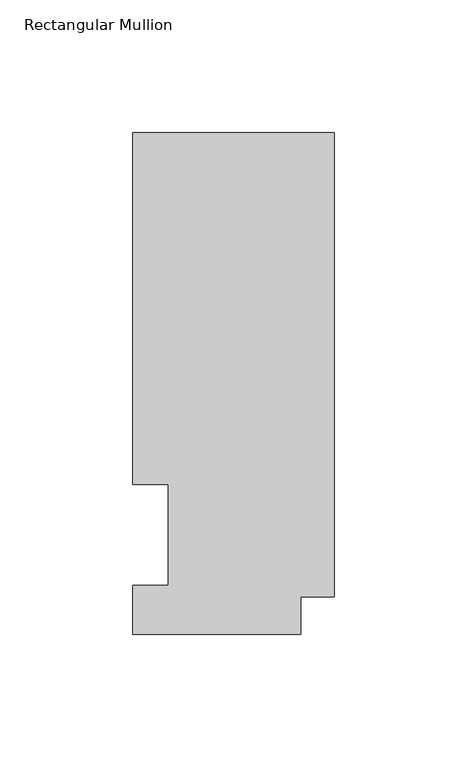
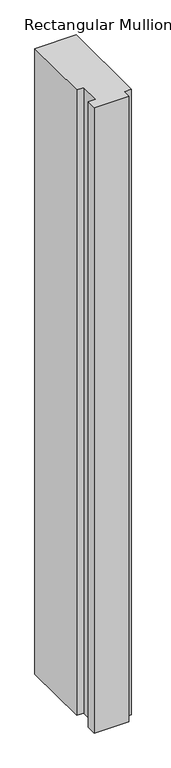
"""IFC4 building model written with IfcOpenShell, lengths in millimetres: member geometry, Rectangular Mullion."""

from ifc_helpers import new_model, si_unit, frame, origin, place, context, project, spatial, polyline, outline, extrude, source, transform, mapped, element, save


def rectangular_mullion_4b7c19ef(model_context):
    return source(origin(), model_context, "Body", "SweptSolid", [
        extrude(outline(polyline([(0.0, 189.6483063), (0.0, 14.2613062), (-12.7016245, 14.2613062), (-12.7016245, 0.0627063), (-76.2, 0.0627063), (-76.2, 18.6047062), (-62.7126, 18.6047062), (-62.7126, 56.6539063), (-76.2, 56.6539063), (-76.2, 189.6483063), (0.0, 189.6483063)])), frame((0.0, 0.0, -1219.2), z_axis=(0.0, 0.0, 1.0), x_axis=(1.0, 0.0, 0.0)), (0.0, 0.0, 1.0), 1219.2),
    ])


if __name__ == "__main__":
    model = new_model("IFC4")
    model_context = context("Model", 3, world=origin())
    ifc_project = project(units=[si_unit("LENGTHUNIT", "METRE", prefix="MILLI")], contexts=[model_context])
    site = spatial("IfcSite", under=ifc_project)
    building = spatial("IfcBuilding", under=site)
    placement = place(None, origin())
    rectangular_mullion_shape = rectangular_mullion_4b7c19ef(model_context)
    element("IfcMember", 1, ObjectType="Rectangular Mullion", at=placement, inside=building, context=model_context, shape_type="MappedRepresentation", body=[
        mapped(rectangular_mullion_shape, transform((0.0, 0.0, 0.0), x_axis=(1.0, 0.0, 0.0), y_axis=(0.0, 1.0, 0.0), z_axis=(0.0, 0.0, 1.0))),
    ])
    save(model, "model.ifc")
